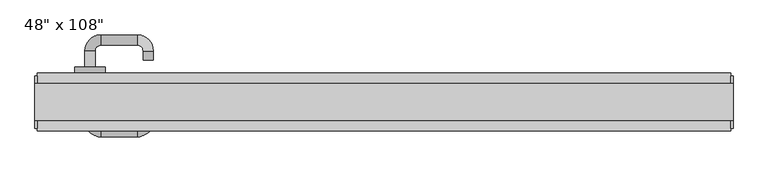
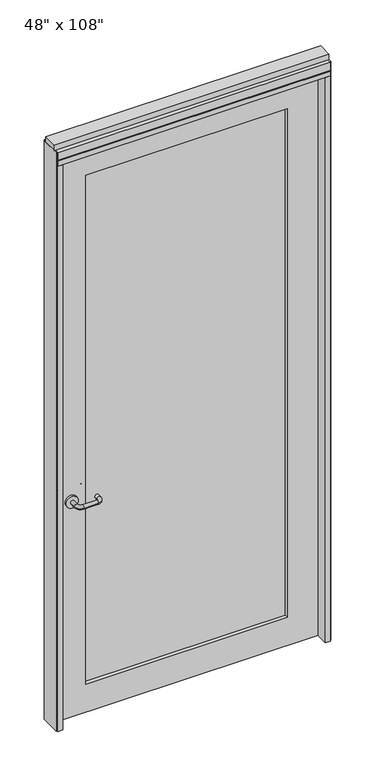
"""IFC4 building model written with IfcOpenShell, lengths in millimetres: furniture geometry."""

import ifcopenshell
import ifcopenshell.guid

model = None  # the IFC model being written
_history = None  # IfcOwnerHistory: only IFC2X3 demands one
_inside = {}  # id of a spatial element -> (the spatial element, [elements in it])
_under = {}  # id of a project, library or spatial element -> (it, [spatial elements below it])
_declared = {}  # id of a project -> (the project, [libraries it declares])
_typed = {}  # id of a type object -> (the type object, [elements of that type])
_made_of = {}  # id of a material, layer set ... -> (it, [elements and type objects made of it])


def new_model(schema):
    """Start an empty IFC model of exactly this schema.

    Asked for "IFC4X3", IfcOpenShell would pick the latest addendum, in which some entities
    have other attributes; the version numbers below select the first issue.
    IFC2X3 requires an IfcOwnerHistory on every rooted entity: one is made here for all.
    """
    global model, _history
    if schema == "IFC4X3":
        model = ifcopenshell.file(schema_version=(4, 3, 0, 0))
    else:
        model = ifcopenshell.file(schema=schema)
    _inside.clear()
    _under.clear()
    _declared.clear()
    _typed.clear()
    _made_of.clear()
    _history = None
    if model.schema == "IFC2X3":
        org = make("IfcOrganization", Name="unknown")
        user = make(
            "IfcPersonAndOrganization",
            ThePerson=make("IfcPerson", FamilyName="unknown"),
            TheOrganization=org,
        )
        app = make(
            "IfcApplication",
            ApplicationDeveloper=org,
            Version="unknown",
            ApplicationFullName="unknown",
            ApplicationIdentifier="unknown",
        )
        _history = make(
            "IfcOwnerHistory",
            OwningUser=user,
            OwningApplication=app,
            ChangeAction="ADDED",
            CreationDate=0,
        )
    return model


def make(cls, **values):
    """One entity of the class cls with the attributes given. An attribute that is None is left unset."""
    return model.create_entity(
        cls, **{name: value for name, value in values.items() if value is not None}
    )


def rooted(cls, **values):
    """An entity with a GlobalId (a new one), such as an element, a storey or a relation."""
    return make(cls, GlobalId=ifcopenshell.guid.new(), OwnerHistory=_history, **values)


def si_unit(unit_type, name, prefix=None):
    """IfcSIUnit, for example si_unit("LENGTHUNIT", "METRE", prefix="MILLI")."""
    return make("IfcSIUnit", UnitType=unit_type, Prefix=prefix, Name=name)


def assignment(units):
    """IfcUnitAssignment: the units of a project."""
    return None if units is None else make("IfcUnitAssignment", Units=units)


def point(xyz):
    """IfcCartesianPoint."""
    return None if xyz is None else make("IfcCartesianPoint", Coordinates=xyz)


def direction(xyz):
    """IfcDirection."""
    return None if xyz is None else make("IfcDirection", DirectionRatios=xyz)


def frame(location, z_axis=None, x_axis=None):
    """IfcAxis2Placement3D, a coordinate frame: its origin and axes. An axis left out is left unset."""
    return make(
        "IfcAxis2Placement3D",
        Location=point(location),
        Axis=direction(z_axis),
        RefDirection=direction(x_axis),
    )


def frame_2d(location, x_axis=None):
    """IfcAxis2Placement2D, a coordinate frame in the plane: its origin and x axis."""
    return make(
        "IfcAxis2Placement2D", Location=point(location), RefDirection=direction(x_axis)
    )


def origin():
    """The frame at (0, 0, 0) with its axes left unset."""
    return frame((0.0, 0.0, 0.0))


def origin_with_axes():
    """The frame at (0, 0, 0) with the z axis (0, 0, 1) and the x axis (1, 0, 0) written out."""
    return frame((0.0, 0.0, 0.0), z_axis=(0.0, 0.0, 1.0), x_axis=(1.0, 0.0, 0.0))


def place(relative_to, where):
    """IfcLocalPlacement: puts the frame where relative to a parent placement (None: the world)."""
    return make(
        "IfcLocalPlacement", PlacementRelTo=relative_to, RelativePlacement=where
    )


def context(
    kind, dimensions, precision=None, world=None, true_north=None, identifier=None
):
    """IfcGeometricRepresentationContext, for example the 3D "Model" context."""
    return make(
        "IfcGeometricRepresentationContext",
        ContextIdentifier=identifier,
        ContextType=kind,
        CoordinateSpaceDimension=dimensions,
        Precision=precision,
        WorldCoordinateSystem=world,
        TrueNorth=true_north,
    )


def project(units=None, contexts=None):
    """IfcProject with its units and contexts."""
    return rooted(
        "IfcProject",
        Name="project",
        RepresentationContexts=contexts,
        UnitsInContext=assignment(units),
    )


def spatial(cls, under=None, at=None, **own):
    """A site, building, storey or space (cls), placed at a placement, below another one or the project."""
    s = rooted(cls, ObjectPlacement=at, **own)
    if under is not None:
        _under.setdefault(under.id(), (under, []))[1].append(s)
    return s


def polyline(points):
    """IfcPolyline through the points."""
    return make("IfcPolyline", Points=[point(p) for p in points])


def circle_curve(where, radius):
    """IfcCircle in the frame where."""
    return make("IfcCircle", Position=where, Radius=radius)


def ellipse_curve(where, semi_axis1, semi_axis2):
    """IfcEllipse in the frame where."""
    return make(
        "IfcEllipse", Position=where, SemiAxis1=semi_axis1, SemiAxis2=semi_axis2
    )


def trimmed(basis, trim1, trim2, sense, master):
    """IfcTrimmedCurve: the piece of a basis curve between two trims."""
    return make(
        "IfcTrimmedCurve",
        BasisCurve=basis,
        Trim1=trim1,
        Trim2=trim2,
        SenseAgreement=sense,
        MasterRepresentation=master,
    )


def segment(curve, same_sense, transition):
    """IfcCompositeCurveSegment."""
    return make(
        "IfcCompositeCurveSegment",
        Transition=transition,
        SameSense=same_sense,
        ParentCurve=curve,
    )


def composite_curve(segments, self_intersect=None):
    """IfcCompositeCurve: segments joined end to end."""
    return make("IfcCompositeCurve", Segments=segments, SelfIntersect=self_intersect)


def outline(outer, holes=None, kind="AREA"):
    """IfcArbitraryClosedProfileDef: a profile drawn as a closed curve; with holes, ...WithVoids."""
    if holes is None:
        return make("IfcArbitraryClosedProfileDef", ProfileType=kind, OuterCurve=outer)
    return make(
        "IfcArbitraryProfileDefWithVoids",
        ProfileType=kind,
        OuterCurve=outer,
        InnerCurves=holes,
    )


def extrude(swept, where, along, depth):
    """IfcExtrudedAreaSolid: the profile swept, set in the frame where, extruded along a direction by depth."""
    return make(
        "IfcExtrudedAreaSolid",
        SweptArea=swept,
        Position=where,
        ExtrudedDirection=direction(along),
        Depth=depth,
    )


def shape(context_of_items, identifier, shape_type, items):
    """IfcShapeRepresentation: the items that make up one representation, for example the "Body"."""
    return make(
        "IfcShapeRepresentation",
        ContextOfItems=context_of_items,
        RepresentationIdentifier=identifier,
        RepresentationType=shape_type,
        Items=items,
    )


def source(mapping_origin, context_of_items, identifier, shape_type, items):
    """IfcRepresentationMap: a shape defined once, which mapped items show again and again."""
    return make(
        "IfcRepresentationMap",
        MappingOrigin=mapping_origin,
        MappedRepresentation=shape(context_of_items, identifier, shape_type, items),
    )


def transform(
    local_origin,
    x_axis=None,
    y_axis=None,
    z_axis=None,
    scale=None,
    scale2=None,
    scale3=None,
    uniform=True,
):
    """IfcCartesianTransformationOperator3D, or its non-uniform kind. x_axis, y_axis, z_axis: its Axis1, 2, 3."""
    if uniform:
        return make(
            "IfcCartesianTransformationOperator3D",
            Axis1=direction(x_axis),
            Axis2=direction(y_axis),
            LocalOrigin=point(local_origin),
            Scale=scale,
            Axis3=direction(z_axis),
        )
    return make(
        "IfcCartesianTransformationOperator3DnonUniform",
        Axis1=direction(x_axis),
        Axis2=direction(y_axis),
        LocalOrigin=point(local_origin),
        Scale=scale,
        Axis3=direction(z_axis),
        Scale2=scale2,
        Scale3=scale3,
    )


def mapped(mapping_source, mapping_target):
    """IfcMappedItem: shows the shape of a source again, moved by a transform."""
    return make(
        "IfcMappedItem", MappingSource=mapping_source, MappingTarget=mapping_target
    )


def made_of(thing, what):
    """Note that an element or type object is made of a material, layer set ...; save() writes the relation."""
    if what is not None:
        _made_of.setdefault(what.id(), (what, []))[1].append(thing)
    return thing


def element(
    cls,
    number,
    at=None,
    inside=None,
    cuts=None,
    type_object=None,
    material=None,
    context=None,
    identifier="Body",
    shape_type=None,
    held_by="IfcProductDefinitionShape",
    body=None,
    shapes=None,
    **own,
):
    """One element of the class cls, such as IfcWall. Its Tag is "e" and its number.

    at: its placement. inside: the storey or other place that contains it. cuts: it is an
    opening in that element (IfcRelVoidsElement). A single representation is given by context,
    identifier, shape_type and body (its items); several are given by shapes. held_by: the class
    of the entity that holds the representations. save() writes the other relations.
    """
    e = rooted(cls, Tag="e%d" % number, ObjectPlacement=at, **own)
    if body is not None:
        shapes = [shape(context, identifier, shape_type, body)]
    if shapes is not None:
        e.Representation = make(held_by, Representations=shapes)
    if inside is not None:
        _inside.setdefault(inside.id(), (inside, []))[1].append(e)
    if cuts is not None:
        rooted(
            "IfcRelVoidsElement", RelatingBuildingElement=cuts, RelatedOpeningElement=e
        )
    if type_object is not None:
        _typed.setdefault(type_object.id(), (type_object, []))[1].append(e)
    return made_of(e, material)


def aggregate(whole, parts):
    """IfcRelAggregates: a whole, such as a stair, and the parts it consists of."""
    return rooted("IfcRelAggregates", RelatingObject=whole, RelatedObjects=parts)


def save(model, path):
    """Write the relations noted so far, then the file.

    IfcRelAggregates (storeys below a building ...), IfcRelContainedInSpatialStructure (elements
    in a storey), IfcRelDefinesByType, IfcRelAssociatesMaterial and IfcRelDeclares: one each for
    every whole, place, type object, material and project.
    """
    for whole, parts in _under.values():
        aggregate(whole, parts)
    for where, things in _inside.values():
        rooted(
            "IfcRelContainedInSpatialStructure",
            RelatedElements=things,
            RelatingStructure=where,
        )
    for kind, things in _typed.values():
        rooted("IfcRelDefinesByType", RelatedObjects=things, RelatingType=kind)
    for what, things in _made_of.values():
        rooted("IfcRelAssociatesMaterial", RelatedObjects=things, RelatingMaterial=what)
    for by, libraries in _declared.values():
        rooted("IfcRelDeclares", RelatingContext=by, RelatedDefinitions=libraries)
    model.write(path)


def plane_surface(at):
    """IfcPlane: the flat surface through the origin of the frame at, square to its z axis."""
    return make("IfcPlane", Position=at)


def cylinder_surface(at, radius):
    """IfcCylindricalSurface: all points at the distance radius from the z axis of the frame at."""
    return make("IfcCylindricalSurface", Position=at, Radius=radius)


def revolved_surface(curve, axis_point, axis_direction):
    """IfcSurfaceOfRevolution: the curve turned about the line through axis_point along axis_direction."""
    return make(
        "IfcSurfaceOfRevolution",
        SweptCurve=make("IfcArbitraryOpenProfileDef", ProfileType="CURVE", Curve=curve),
        AxisPosition=make("IfcAxis1Placement", Location=point(axis_point), Axis=direction(axis_direction)),
    )


def advanced_brep(points, edges, surfaces, faces):
    """IfcAdvancedBrep: a solid bounded by faces that lie on surfaces and meet in shared edges.

    An edge is (start, end): straight between two places in points (the first is 0);
    or (start, end, curve); or (start, end, curve, False) where it runs against its curve.
    A face is (place in surfaces, loops), or (place, loops, False) where it looks against
    its surface's normal. A loop lists edges by number (the first is 1), with a minus sign
    where the edge is run from its end to its start. The first loop is the outer one.
    """
    corners = [point(p) for p in points]
    vertices = [make("IfcVertexPoint", VertexGeometry=c) for c in corners]
    made = []
    for start, end, *more in edges:
        made.append(
            make(
                "IfcEdgeCurve",
                EdgeStart=vertices[start],
                EdgeEnd=vertices[end],
                EdgeGeometry=more[0] if more else make("IfcPolyline", Points=[corners[start], corners[end]]),
                SameSense=more[1] if len(more) > 1 else True,
            )
        )
    hull = []
    for where, loops, *sense in faces:
        bounds = []
        for j, loop in enumerate(loops):
            ring = [make("IfcOrientedEdge", EdgeElement=made[abs(k) - 1], Orientation=k > 0) for k in loop]
            bounds.append(
                make(
                    "IfcFaceOuterBound" if j == 0 else "IfcFaceBound",
                    Bound=make("IfcEdgeLoop", EdgeList=ring),
                    Orientation=True,
                )
            )
        hull.append(make("IfcAdvancedFace", Bounds=bounds, FaceSurface=surfaces[where], SameSense=sense[0] if sense else True))
    return make("IfcAdvancedBrep", Outer=make("IfcClosedShell", CfsFaces=hull))


def furniture_fcf64fe8(model_context):
    return source(origin(), model_context, "Body", "SolidModel", [
        advanced_brep(
        [(-582.3875229, 0.4537216, 1016.0), (-564.6075229, 0.4537216, 1016.0), (-582.3875229, -28.1212784, 1016.0), (-564.6075229, -28.1212784, 1016.0), (-554.4475229, -38.2812784, 1016.0), (-554.4475229, -56.0612784, 1016.0), (-463.0075229, -12.2462784, 1016.0), (-480.7875229, -12.2462784, 1016.0), (-490.9475229, -56.0612784, 1016.0), (-490.9475229, -38.2812784, 1016.0), (-480.7875229, -28.1212784, 1016.0), (-463.0075229, -28.1212784, 1016.0)],
        [
            (0, 1, circle_curve(frame((-573.4975229, 0.4537216, 1016.0), z_axis=(0.0, 1.0, 0.0), x_axis=(1.0, 0.0, 0.0)), 8.89)),
            (1, 0, circle_curve(frame((-573.4975229, 0.4537216, 1016.0), z_axis=(0.0, 1.0, 0.0), x_axis=(1.0, 0.0, 0.0)), 8.89)),
            (0, 2),
            (2, 3, circle_curve(frame((-573.4975229, -28.1212784, 1016.0), z_axis=(0.0, 1.0, 0.0), x_axis=(1.0, 0.0, 0.0)), 8.89)),
            (3, 1),
            (3, 2, circle_curve(frame((-573.4975229, -28.1212784, 1016.0), z_axis=(0.0, 1.0, 0.0), x_axis=(1.0, 0.0, 0.0)), 8.89)),
            (4, 3, circle_curve(frame((-554.4475229, -28.1212784, 1016.0), z_axis=(0.0, 0.0, -1.0), x_axis=(-1.0, 0.0, 0.0)), 10.16)),
            (2, 5, circle_curve(frame((-554.4475229, -28.1212784, 1016.0), z_axis=(0.0, 0.0, 1.0), x_axis=(-1.0, 0.0, 0.0)), 27.94)),
            (5, 4, circle_curve(frame((-554.4475229, -47.1712784, 1016.0), z_axis=(-1.0, 0.0, 0.0), x_axis=(0.0, 1.0, 0.0)), 8.89)),
            (4, 5, circle_curve(frame((-554.4475229, -47.1712784, 1016.0), z_axis=(-1.0, 0.0, 0.0), x_axis=(0.0, 1.0, 0.0)), 8.89)),
            (6, 7, circle_curve(frame((-471.8975229, -12.2462784, 1016.0), z_axis=(0.0, 1.0, 0.0), x_axis=(-1.0, 0.0, 0.0)), 8.89)),
            (7, 6, circle_curve(frame((-471.8975229, -12.2462784, 1016.0), z_axis=(0.0, 1.0, 0.0), x_axis=(-1.0, 0.0, 0.0)), 8.89)),
            (5, 8),
            (8, 9, circle_curve(frame((-490.9475229, -47.1712784, 1016.0), z_axis=(-1.0, 0.0, 0.0), x_axis=(0.0, 1.0, 0.0)), 8.89)),
            (9, 4),
            (9, 8, circle_curve(frame((-490.9475229, -47.1712784, 1016.0), z_axis=(-1.0, 0.0, 0.0), x_axis=(0.0, 1.0, 0.0)), 8.89)),
            (10, 9, circle_curve(frame((-490.9475229, -28.1212784, 1016.0), z_axis=(0.0, 0.0, -1.0), x_axis=(0.0, -1.0, 0.0)), 10.16)),
            (8, 11, circle_curve(frame((-490.9475229, -28.1212784, 1016.0), z_axis=(0.0, 0.0, 1.0), x_axis=(0.0, -1.0, 0.0)), 27.94)),
            (11, 10, circle_curve(frame((-471.8975229, -28.1212784, 1016.0), z_axis=(0.0, -1.0, 0.0), x_axis=(-1.0, 0.0, 0.0)), 8.89)),
            (10, 11, circle_curve(frame((-471.8975229, -28.1212784, 1016.0), z_axis=(0.0, -1.0, 0.0), x_axis=(-1.0, 0.0, 0.0)), 8.89)),
            (11, 6),
            (7, 10),
        ],
        [
            plane_surface(frame((-573.4975229, 0.4537216, 1016.0), z_axis=(0.0, 1.0, 0.0), x_axis=(0.0, 0.0, 1.0))),
            cylinder_surface(frame((-573.4975229, 0.4537216, 1016.0), z_axis=(0.0, 1.0, 0.0), x_axis=(1.0, 0.0, 0.0)), 8.89),
            revolved_surface(trimmed(ellipse_curve(frame((-573.4975229, -28.1212784, 1016.0), z_axis=(0.0, 1.0, 0.0), x_axis=(1.0, 0.0, 0.0)), 8.89, 8.89), [point((-582.3875229, -28.1212784, 1016.0))], [point((-564.6075229, -28.1212784, 1016.0))], True, "CARTESIAN"), (-554.4475229, -28.1212784, 1016.0), (0.0, 0.0, 1.0)),
            revolved_surface(trimmed(ellipse_curve(frame((-573.4975229, -28.1212784, 1016.0), z_axis=(0.0, 1.0, 0.0), x_axis=(1.0, 0.0, 0.0)), 8.89, 8.89), [point((-564.6075229, -28.1212784, 1016.0))], [point((-582.3875229, -28.1212784, 1016.0))], True, "CARTESIAN"), (-554.4475229, -28.1212784, 1016.0), (0.0, 0.0, 1.0)),
            plane_surface(frame((-471.8975229, -12.2462784, 1016.0), z_axis=(0.0, 1.0, 0.0), x_axis=(0.0, 0.0, 1.0))),
            cylinder_surface(frame((-554.4475229, -47.1712784, 1016.0), z_axis=(-1.0, 0.0, 0.0), x_axis=(0.0, 1.0, 0.0)), 8.89),
            revolved_surface(trimmed(ellipse_curve(frame((-490.9475229, -47.1712784, 1016.0), z_axis=(-1.0, 0.0, 0.0), x_axis=(0.0, 1.0, 0.0)), 8.89, 8.89), [point((-490.9475229, -56.0612784, 1016.0))], [point((-490.9475229, -38.2812784, 1016.0))], True, "CARTESIAN"), (-490.9475229, -28.1212784, 1016.0), (0.0, 0.0, 1.0)),
            revolved_surface(trimmed(ellipse_curve(frame((-490.9475229, -47.1712784, 1016.0), z_axis=(-1.0, 0.0, 0.0), x_axis=(0.0, 1.0, 0.0)), 8.89, 8.89), [point((-490.9475229, -38.2812784, 1016.0))], [point((-490.9475229, -56.0612784, 1016.0))], True, "CARTESIAN"), (-490.9475229, -28.1212784, 1016.0), (0.0, 0.0, 1.0)),
            cylinder_surface(frame((-471.8975229, -28.1212784, 1016.0), z_axis=(0.0, -1.0, 0.0), x_axis=(-1.0, 0.0, 0.0)), 8.89),
        ],
        [
            (0, [[1, 2]]),
            (1, [[-1, 3, 4, 5]]),
            (1, [[-2, -5, 6, -3]]),
            (2, [[7, -4, 8, 9]]),
            (3, [[-8, -6, -7, 10]]),
            (4, [[11, 12]]),
            (5, [[-9, 13, 14, 15]]),
            (5, [[-10, -15, 16, -13]]),
            (6, [[17, -14, 18, 19]]),
            (7, [[-18, -16, -17, 20]]),
            (8, [[-19, 21, -12, 22]]),
            (8, [[-20, -22, -11, -21]]),
        ],
    ),
        extrude(outline(composite_curve([segment(trimmed(circle_curve(frame_2d((1016.0, -573.4975229)), 26.924), [point((1016.0, -600.4215229))], [point((1016.0, -546.5735229))], False, "CARTESIAN"), True, "CONTINUOUS"), segment(trimmed(circle_curve(frame_2d((1016.0, -573.4975229)), 26.924), [point((1016.0, -546.5735229))], [point((1016.0, -600.4215229))], False, "CARTESIAN"), True, "CONTINUOUS")], self_intersect=False)), frame((0.0, 0.4537216, 0.0), z_axis=(0.0, 1.0, 0.0), x_axis=(0.0, 0.0, 1.0)), (0.0, 0.0, 1.0), 10.414),
        advanced_brep(
        [(-582.3875229, 65.7317216, 1016.0), (-564.6075229, 65.7317216, 1016.0), (-564.6075229, 94.3067216, 1016.0), (-582.3875229, 94.3067216, 1016.0), (-554.4475229, 104.4667216, 1016.0), (-554.4475229, 122.2467216, 1016.0), (-463.0075229, 78.4317216, 1016.0), (-480.7875229, 78.4317216, 1016.0), (-490.9475229, 104.4667216, 1016.0), (-490.9475229, 122.2467216, 1016.0), (-480.7875229, 94.3067216, 1016.0), (-463.0075229, 94.3067216, 1016.0)],
        [
            (0, 1, circle_curve(frame((-573.4975229, 65.7317216, 1016.0), z_axis=(0.0, -1.0, 0.0), x_axis=(1.0, 0.0, 0.0)), 8.89)),
            (1, 0, circle_curve(frame((-573.4975229, 65.7317216, 1016.0), z_axis=(0.0, -1.0, 0.0), x_axis=(1.0, 0.0, 0.0)), 8.89)),
            (1, 2),
            (2, 3, circle_curve(frame((-573.4975229, 94.3067216, 1016.0), z_axis=(0.0, -1.0, 0.0), x_axis=(1.0, 0.0, 0.0)), 8.89)),
            (3, 0),
            (3, 2, circle_curve(frame((-573.4975229, 94.3067216, 1016.0), z_axis=(0.0, -1.0, 0.0), x_axis=(1.0, 0.0, 0.0)), 8.89)),
            (4, 5, circle_curve(frame((-554.4475229, 113.3567216, 1016.0), z_axis=(-1.0, 0.0, 0.0), x_axis=(0.0, -1.0, 0.0)), 8.89)),
            (5, 3, circle_curve(frame((-554.4475229, 94.3067216, 1016.0), z_axis=(0.0, 0.0, 1.0), x_axis=(-1.0, 0.0, 0.0)), 27.94)),
            (2, 4, circle_curve(frame((-554.4475229, 94.3067216, 1016.0), z_axis=(0.0, 0.0, -1.0), x_axis=(-1.0, 0.0, 0.0)), 10.16)),
            (5, 4, circle_curve(frame((-554.4475229, 113.3567216, 1016.0), z_axis=(-1.0, 0.0, 0.0), x_axis=(0.0, -1.0, 0.0)), 8.89)),
            (6, 7, circle_curve(frame((-471.8975229, 78.4317216, 1016.0), z_axis=(0.0, -1.0, 0.0), x_axis=(-1.0, 0.0, 0.0)), 8.89)),
            (7, 6, circle_curve(frame((-471.8975229, 78.4317216, 1016.0), z_axis=(0.0, -1.0, 0.0), x_axis=(-1.0, 0.0, 0.0)), 8.89)),
            (4, 8),
            (8, 9, circle_curve(frame((-490.9475229, 113.3567216, 1016.0), z_axis=(-1.0, 0.0, 0.0), x_axis=(0.0, -1.0, 0.0)), 8.89)),
            (9, 5),
            (9, 8, circle_curve(frame((-490.9475229, 113.3567216, 1016.0), z_axis=(-1.0, 0.0, 0.0), x_axis=(0.0, -1.0, 0.0)), 8.89)),
            (10, 11, circle_curve(frame((-471.8975229, 94.3067216, 1016.0), z_axis=(0.0, 1.0, 0.0), x_axis=(-1.0, 0.0, 0.0)), 8.89)),
            (11, 9, circle_curve(frame((-490.9475229, 94.3067216, 1016.0), z_axis=(0.0, 0.0, 1.0), x_axis=(0.0, 1.0, 0.0)), 27.94)),
            (8, 10, circle_curve(frame((-490.9475229, 94.3067216, 1016.0), z_axis=(0.0, 0.0, -1.0), x_axis=(0.0, 1.0, 0.0)), 10.16)),
            (11, 10, circle_curve(frame((-471.8975229, 94.3067216, 1016.0), z_axis=(0.0, 1.0, 0.0), x_axis=(-1.0, 0.0, 0.0)), 8.89)),
            (10, 7),
            (6, 11),
        ],
        [
            plane_surface(frame((-573.4975229, 65.7317216, 1016.0), z_axis=(0.0, -1.0, 0.0), x_axis=(0.0, 0.0, 1.0))),
            cylinder_surface(frame((-573.4975229, 65.7317216, 1016.0), z_axis=(0.0, -1.0, 0.0), x_axis=(1.0, 0.0, 0.0)), 8.89),
            revolved_surface(trimmed(ellipse_curve(frame((-573.4975229, 94.3067216, 1016.0), z_axis=(0.0, 1.0, 0.0), x_axis=(1.0, 0.0, 0.0)), 8.89, 8.89), [point((-582.3875229, 94.3067216, 1016.0))], [point((-564.6075229, 94.3067216, 1016.0))], True, "CARTESIAN"), (-554.4475229, 94.3067216, 1016.0), (0.0, 0.0, 1.0)),
            revolved_surface(trimmed(ellipse_curve(frame((-573.4975229, 94.3067216, 1016.0), z_axis=(0.0, 1.0, 0.0), x_axis=(1.0, 0.0, 0.0)), 8.89, 8.89), [point((-564.6075229, 94.3067216, 1016.0))], [point((-582.3875229, 94.3067216, 1016.0))], True, "CARTESIAN"), (-554.4475229, 94.3067216, 1016.0), (0.0, 0.0, 1.0)),
            plane_surface(frame((-471.8975229, 78.4317216, 1016.0), z_axis=(0.0, -1.0, 0.0), x_axis=(0.0, 0.0, 1.0))),
            cylinder_surface(frame((-554.4475229, 113.3567216, 1016.0), z_axis=(-1.0, 0.0, 0.0), x_axis=(0.0, -1.0, 0.0)), 8.89),
            revolved_surface(trimmed(ellipse_curve(frame((-490.9475229, 113.3567216, 1016.0), z_axis=(1.0, 0.0, 0.0), x_axis=(0.0, -1.0, 0.0)), 8.89, 8.89), [point((-490.9475229, 122.2467216, 1016.0))], [point((-490.9475229, 104.4667216, 1016.0))], True, "CARTESIAN"), (-490.9475229, 94.3067216, 1016.0), (0.0, 0.0, 1.0)),
            revolved_surface(trimmed(ellipse_curve(frame((-490.9475229, 113.3567216, 1016.0), z_axis=(1.0, 0.0, 0.0), x_axis=(0.0, -1.0, 0.0)), 8.89, 8.89), [point((-490.9475229, 104.4667216, 1016.0))], [point((-490.9475229, 122.2467216, 1016.0))], True, "CARTESIAN"), (-490.9475229, 94.3067216, 1016.0), (0.0, 0.0, 1.0)),
            cylinder_surface(frame((-471.8975229, 94.3067216, 1016.0), z_axis=(0.0, 1.0, 0.0), x_axis=(-1.0, 0.0, 0.0)), 8.89),
        ],
        [
            (0, [[1, 2]]),
            (1, [[3, 4, 5, -2]]),
            (1, [[-5, 6, -3, -1]]),
            (2, [[7, 8, -4, 9]]),
            (3, [[10, -9, -6, -8]]),
            (4, [[11, 12]]),
            (5, [[13, 14, 15, -7]]),
            (5, [[-15, 16, -13, -10]]),
            (6, [[17, 18, -14, 19]]),
            (7, [[20, -19, -16, -18]]),
            (8, [[21, -11, 22, -17]]),
            (8, [[-22, -12, -21, -20]]),
        ],
    ),
        extrude(outline(composite_curve([segment(trimmed(circle_curve(frame_2d((1016.0, -573.4975229)), 26.924), [point((1016.0, -600.4215229))], [point((1016.0, -546.5735229))], False, "CARTESIAN"), True, "CONTINUOUS"), segment(trimmed(circle_curve(frame_2d((1016.0, -573.4975229)), 26.924), [point((1016.0, -546.5735229))], [point((1016.0, -600.4215229))], False, "CARTESIAN"), True, "CONTINUOUS")], self_intersect=False)), frame((0.0, 55.3177216, 0.0), z_axis=(0.0, 1.0, 0.0), x_axis=(0.0, 0.0, 1.0)), (0.0, 0.0, 1.0), 10.414),
        extrude(outline(polyline([(387.3844771, 38.1727216), (387.3844771, 28.0127216), (-507.4575229, 28.0127216), (-507.4575229, 38.1727216), (387.3844771, 38.1727216)])), frame((0.0, 0.0, 132.969), z_axis=(0.0, 0.0, 1.0), x_axis=(1.0, 0.0, 0.0)), (0.0, 0.0, 1.0), 2388.362),
        extrude(outline(polyline([(2654.3, 523.4014771), (2654.3, -643.4745229), (0.0, -643.4745229), (0.0, 523.4014771), (2654.3, 523.4014771)]), holes=[polyline([(2521.331, 387.3844771), (132.969, 387.3844771), (132.969, -507.4575229), (2521.331, -507.4575229), (2521.331, 387.3844771)])]), frame((0.0, 10.8677216, 0.0), z_axis=(0.0, 1.0, 0.0), x_axis=(0.0, 0.0, 1.0)), (0.0, 0.0, 1.0), 44.45),
        extrude(outline(polyline([(-665.6995229, 55.3177216), (545.6264771, 55.3177216), (545.6264771, -46.2822784), (-665.6995229, -46.2822784), (-665.6995229, 55.3177216)])), frame((0.0, 0.0, 2654.3), z_axis=(0.0, 0.0, 1.0), x_axis=(1.0, 0.0, 0.0)), (0.0, 0.0, 1.0), 22.225),
        extrude(outline(polyline([(549.5634771, 50.3647216), (549.5634771, -41.3292784), (545.6264771, -41.3292784), (545.6264771, 50.3647216), (549.5634771, 50.3647216)])), origin_with_axes(), (0.0, 0.0, 1.0), 2717.8),
        extrude(outline(polyline([(-669.6365229, 50.3647216), (-665.6995229, 50.3647216), (-665.6995229, -41.3292784), (-669.6365229, -41.3292784), (-669.6365229, 50.3647216)])), origin_with_axes(), (0.0, 0.0, 1.0), 2717.8),
        extrude(outline(polyline([(523.4014771, 55.3177216), (545.6264771, 55.3177216), (545.6264771, -46.2822784), (523.4014771, -46.2822784), (523.4014771, 55.3177216)])), origin_with_axes(), (0.0, 0.0, 1.0), 2654.3),
        extrude(outline(polyline([(-643.4745229, 55.3177216), (-643.4745229, -46.2822784), (-665.6995229, -46.2822784), (-665.6995229, 55.3177216), (-643.4745229, 55.3177216)])), origin_with_axes(), (0.0, 0.0, 1.0), 2654.3),
        extrude(outline(polyline([(55.3177216, 2681.478), (50.3647216, 2681.478), (50.3647216, 2676.525), (-41.3292784, 2676.525), (-41.3292784, 2681.478), (-46.2822784, 2681.478), (-46.2822784, 2717.8), (55.3177216, 2717.8), (55.3177216, 2681.478)])), frame((-665.6995229, 0.0, 0.0), z_axis=(1.0, 0.0, 0.0), x_axis=(0.0, 1.0, 0.0)), (0.0, 0.0, 1.0), 1211.326),
        extrude(outline(polyline([(-669.6365229, 37.0297216), (549.5634771, 37.0297216), (549.5634771, -27.9942784), (-669.6365229, -27.9942784), (-669.6365229, 37.0297216)])), frame((0.0, 0.0, 2717.8), z_axis=(0.0, 0.0, 1.0), x_axis=(1.0, 0.0, 0.0)), (0.0, 0.0, 1.0), 25.4),
    ])


if __name__ == "__main__":
    model = new_model("IFC4")
    model_context = context("Model", 3, world=origin())
    ifc_project = project(units=[si_unit("LENGTHUNIT", "METRE", prefix="MILLI")], contexts=[model_context])
    site = spatial("IfcSite", under=ifc_project)
    building = spatial("IfcBuilding", under=site)
    placement = place(None, origin())
    furniture_shape = furniture_fcf64fe8(model_context)
    element("IfcFurniture", 1, ObjectType="48\" x 108\"", at=placement, inside=building, context=model_context, shape_type="MappedRepresentation", body=[
        mapped(furniture_shape, transform((0.0, 0.0, 0.0), x_axis=(1.0, 0.0, 0.0), y_axis=(0.0, 1.0, 0.0), z_axis=(0.0, 0.0, 1.0))),
    ])
    save(model, "model.ifc")
